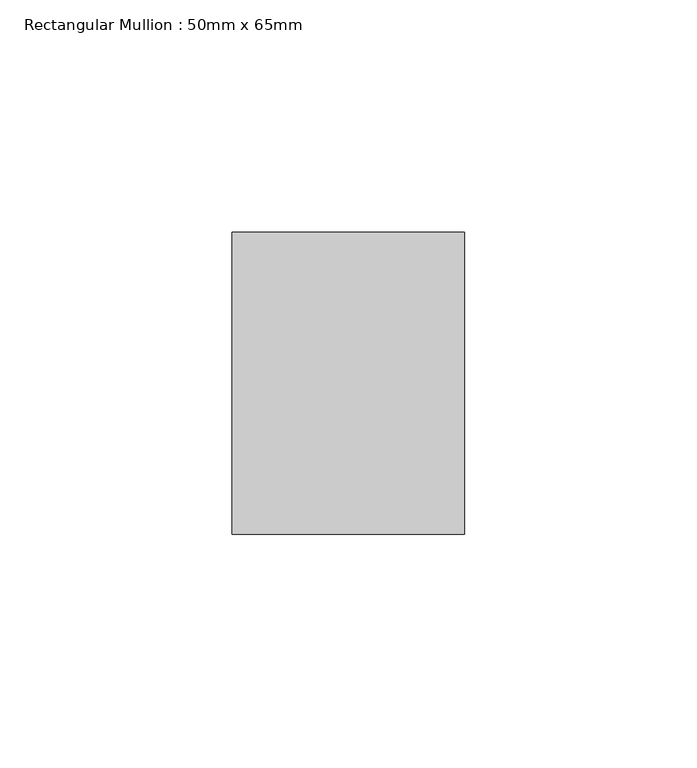
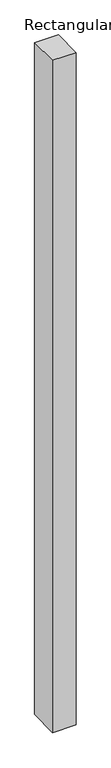
"""IFC4 building model written with IfcOpenShell, lengths in millimetres: member geometry, Rectangular Mullion : 50mm x 65mm."""

import ifcopenshell
import ifcopenshell.guid

model = None  # the IFC model being written
_history = None  # IfcOwnerHistory: only IFC2X3 demands one
_inside = {}  # id of a spatial element -> (the spatial element, [elements in it])
_under = {}  # id of a project, library or spatial element -> (it, [spatial elements below it])
_declared = {}  # id of a project -> (the project, [libraries it declares])
_typed = {}  # id of a type object -> (the type object, [elements of that type])
_made_of = {}  # id of a material, layer set ... -> (it, [elements and type objects made of it])


def new_model(schema):
    """Start an empty IFC model of exactly this schema.

    Asked for "IFC4X3", IfcOpenShell would pick the latest addendum, in which some entities
    have other attributes; the version numbers below select the first issue.
    IFC2X3 requires an IfcOwnerHistory on every rooted entity: one is made here for all.
    """
    global model, _history
    if schema == "IFC4X3":
        model = ifcopenshell.file(schema_version=(4, 3, 0, 0))
    else:
        model = ifcopenshell.file(schema=schema)
    _inside.clear()
    _under.clear()
    _declared.clear()
    _typed.clear()
    _made_of.clear()
    _history = None
    if model.schema == "IFC2X3":
        org = make("IfcOrganization", Name="unknown")
        user = make(
            "IfcPersonAndOrganization",
            ThePerson=make("IfcPerson", FamilyName="unknown"),
            TheOrganization=org,
        )
        app = make(
            "IfcApplication",
            ApplicationDeveloper=org,
            Version="unknown",
            ApplicationFullName="unknown",
            ApplicationIdentifier="unknown",
        )
        _history = make(
            "IfcOwnerHistory",
            OwningUser=user,
            OwningApplication=app,
            ChangeAction="ADDED",
            CreationDate=0,
        )
    return model


def make(cls, **values):
    """One entity of the class cls with the attributes given. An attribute that is None is left unset."""
    return model.create_entity(
        cls, **{name: value for name, value in values.items() if value is not None}
    )


def rooted(cls, **values):
    """An entity with a GlobalId (a new one), such as an element, a storey or a relation."""
    return make(cls, GlobalId=ifcopenshell.guid.new(), OwnerHistory=_history, **values)


def si_unit(unit_type, name, prefix=None):
    """IfcSIUnit, for example si_unit("LENGTHUNIT", "METRE", prefix="MILLI")."""
    return make("IfcSIUnit", UnitType=unit_type, Prefix=prefix, Name=name)


def assignment(units):
    """IfcUnitAssignment: the units of a project."""
    return None if units is None else make("IfcUnitAssignment", Units=units)


def point(xyz):
    """IfcCartesianPoint."""
    return None if xyz is None else make("IfcCartesianPoint", Coordinates=xyz)


def direction(xyz):
    """IfcDirection."""
    return None if xyz is None else make("IfcDirection", DirectionRatios=xyz)


def frame(location, z_axis=None, x_axis=None):
    """IfcAxis2Placement3D, a coordinate frame: its origin and axes. An axis left out is left unset."""
    return make(
        "IfcAxis2Placement3D",
        Location=point(location),
        Axis=direction(z_axis),
        RefDirection=direction(x_axis),
    )


def origin():
    """The frame at (0, 0, 0) with its axes left unset."""
    return frame((0.0, 0.0, 0.0))


def place(relative_to, where):
    """IfcLocalPlacement: puts the frame where relative to a parent placement (None: the world)."""
    return make(
        "IfcLocalPlacement", PlacementRelTo=relative_to, RelativePlacement=where
    )


def context(
    kind, dimensions, precision=None, world=None, true_north=None, identifier=None
):
    """IfcGeometricRepresentationContext, for example the 3D "Model" context."""
    return make(
        "IfcGeometricRepresentationContext",
        ContextIdentifier=identifier,
        ContextType=kind,
        CoordinateSpaceDimension=dimensions,
        Precision=precision,
        WorldCoordinateSystem=world,
        TrueNorth=true_north,
    )


def project(units=None, contexts=None):
    """IfcProject with its units and contexts."""
    return rooted(
        "IfcProject",
        Name="project",
        RepresentationContexts=contexts,
        UnitsInContext=assignment(units),
    )


def spatial(cls, under=None, at=None, **own):
    """A site, building, storey or space (cls), placed at a placement, below another one or the project."""
    s = rooted(cls, ObjectPlacement=at, **own)
    if under is not None:
        _under.setdefault(under.id(), (under, []))[1].append(s)
    return s


def polyline(points):
    """IfcPolyline through the points."""
    return make("IfcPolyline", Points=[point(p) for p in points])


def outline(outer, holes=None, kind="AREA"):
    """IfcArbitraryClosedProfileDef: a profile drawn as a closed curve; with holes, ...WithVoids."""
    if holes is None:
        return make("IfcArbitraryClosedProfileDef", ProfileType=kind, OuterCurve=outer)
    return make(
        "IfcArbitraryProfileDefWithVoids",
        ProfileType=kind,
        OuterCurve=outer,
        InnerCurves=holes,
    )


def extrude(swept, where, along, depth):
    """IfcExtrudedAreaSolid: the profile swept, set in the frame where, extruded along a direction by depth."""
    return make(
        "IfcExtrudedAreaSolid",
        SweptArea=swept,
        Position=where,
        ExtrudedDirection=direction(along),
        Depth=depth,
    )


def shape(context_of_items, identifier, shape_type, items):
    """IfcShapeRepresentation: the items that make up one representation, for example the "Body"."""
    return make(
        "IfcShapeRepresentation",
        ContextOfItems=context_of_items,
        RepresentationIdentifier=identifier,
        RepresentationType=shape_type,
        Items=items,
    )


def source(mapping_origin, context_of_items, identifier, shape_type, items):
    """IfcRepresentationMap: a shape defined once, which mapped items show again and again."""
    return make(
        "IfcRepresentationMap",
        MappingOrigin=mapping_origin,
        MappedRepresentation=shape(context_of_items, identifier, shape_type, items),
    )


def transform(
    local_origin,
    x_axis=None,
    y_axis=None,
    z_axis=None,
    scale=None,
    scale2=None,
    scale3=None,
    uniform=True,
):
    """IfcCartesianTransformationOperator3D, or its non-uniform kind. x_axis, y_axis, z_axis: its Axis1, 2, 3."""
    if uniform:
        return make(
            "IfcCartesianTransformationOperator3D",
            Axis1=direction(x_axis),
            Axis2=direction(y_axis),
            LocalOrigin=point(local_origin),
            Scale=scale,
            Axis3=direction(z_axis),
        )
    return make(
        "IfcCartesianTransformationOperator3DnonUniform",
        Axis1=direction(x_axis),
        Axis2=direction(y_axis),
        LocalOrigin=point(local_origin),
        Scale=scale,
        Axis3=direction(z_axis),
        Scale2=scale2,
        Scale3=scale3,
    )


def mapped(mapping_source, mapping_target):
    """IfcMappedItem: shows the shape of a source again, moved by a transform."""
    return make(
        "IfcMappedItem", MappingSource=mapping_source, MappingTarget=mapping_target
    )


def made_of(thing, what):
    """Note that an element or type object is made of a material, layer set ...; save() writes the relation."""
    if what is not None:
        _made_of.setdefault(what.id(), (what, []))[1].append(thing)
    return thing


def element(
    cls,
    number,
    at=None,
    inside=None,
    cuts=None,
    type_object=None,
    material=None,
    context=None,
    identifier="Body",
    shape_type=None,
    held_by="IfcProductDefinitionShape",
    body=None,
    shapes=None,
    **own,
):
    """One element of the class cls, such as IfcWall. Its Tag is "e" and its number.

    at: its placement. inside: the storey or other place that contains it. cuts: it is an
    opening in that element (IfcRelVoidsElement). A single representation is given by context,
    identifier, shape_type and body (its items); several are given by shapes. held_by: the class
    of the entity that holds the representations. save() writes the other relations.
    """
    e = rooted(cls, Tag="e%d" % number, ObjectPlacement=at, **own)
    if body is not None:
        shapes = [shape(context, identifier, shape_type, body)]
    if shapes is not None:
        e.Representation = make(held_by, Representations=shapes)
    if inside is not None:
        _inside.setdefault(inside.id(), (inside, []))[1].append(e)
    if cuts is not None:
        rooted(
            "IfcRelVoidsElement", RelatingBuildingElement=cuts, RelatedOpeningElement=e
        )
    if type_object is not None:
        _typed.setdefault(type_object.id(), (type_object, []))[1].append(e)
    return made_of(e, material)


def aggregate(whole, parts):
    """IfcRelAggregates: a whole, such as a stair, and the parts it consists of."""
    return rooted("IfcRelAggregates", RelatingObject=whole, RelatedObjects=parts)


def save(model, path):
    """Write the relations noted so far, then the file.

    IfcRelAggregates (storeys below a building ...), IfcRelContainedInSpatialStructure (elements
    in a storey), IfcRelDefinesByType, IfcRelAssociatesMaterial and IfcRelDeclares: one each for
    every whole, place, type object, material and project.
    """
    for whole, parts in _under.values():
        aggregate(whole, parts)
    for where, things in _inside.values():
        rooted(
            "IfcRelContainedInSpatialStructure",
            RelatedElements=things,
            RelatingStructure=where,
        )
    for kind, things in _typed.values():
        rooted("IfcRelDefinesByType", RelatedObjects=things, RelatingType=kind)
    for what, things in _made_of.values():
        rooted("IfcRelAssociatesMaterial", RelatedObjects=things, RelatingMaterial=what)
    for by, libraries in _declared.values():
        rooted("IfcRelDeclares", RelatingContext=by, RelatedDefinitions=libraries)
    model.write(path)


def rectangular_mullion_50mm_x_65mm_50270661(model_context):
    return source(origin(), model_context, "Body", "SweptSolid", [
        extrude(outline(polyline([(-32.5, 0.0), (32.5, 0.0), (32.5, -1499.3981585), (-32.5, -1500.6025913), (-32.5, 0.0)])), frame((-25.0, 0.0, 0.0), z_axis=(1.0, 0.0, 0.0), x_axis=(0.0, 1.0, 0.0)), (0.0, 0.0, 1.0), 50.0),
    ])


if __name__ == "__main__":
    model = new_model("IFC4")
    model_context = context("Model", 3, world=origin())
    ifc_project = project(units=[si_unit("LENGTHUNIT", "METRE", prefix="MILLI")], contexts=[model_context])
    site = spatial("IfcSite", under=ifc_project)
    building = spatial("IfcBuilding", under=site)
    placement = place(None, origin())
    rectangular_mullion_50mm_x_65mm_shape = rectangular_mullion_50mm_x_65mm_50270661(model_context)
    element("IfcMember", 1, ObjectType="Rectangular Mullion : 50mm x 65mm", at=placement, inside=building, context=model_context, shape_type="MappedRepresentation", body=[
        mapped(rectangular_mullion_50mm_x_65mm_shape, transform((0.0, 0.0, 0.0), x_axis=(1.0, 0.0, 0.0), y_axis=(0.0, 1.0, 0.0), z_axis=(0.0, 0.0, 1.0))),
    ])
    save(model, "model.ifc")
